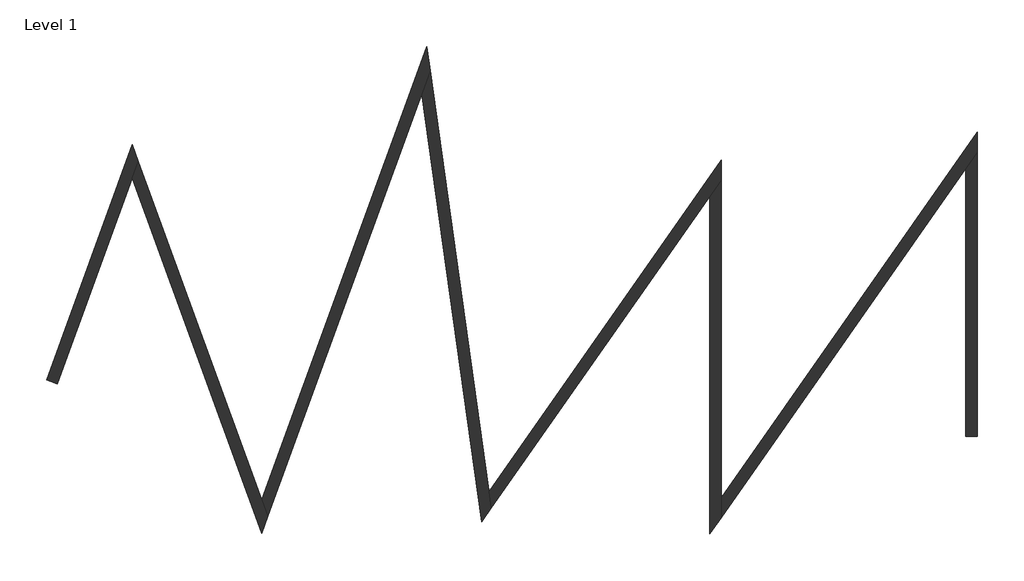
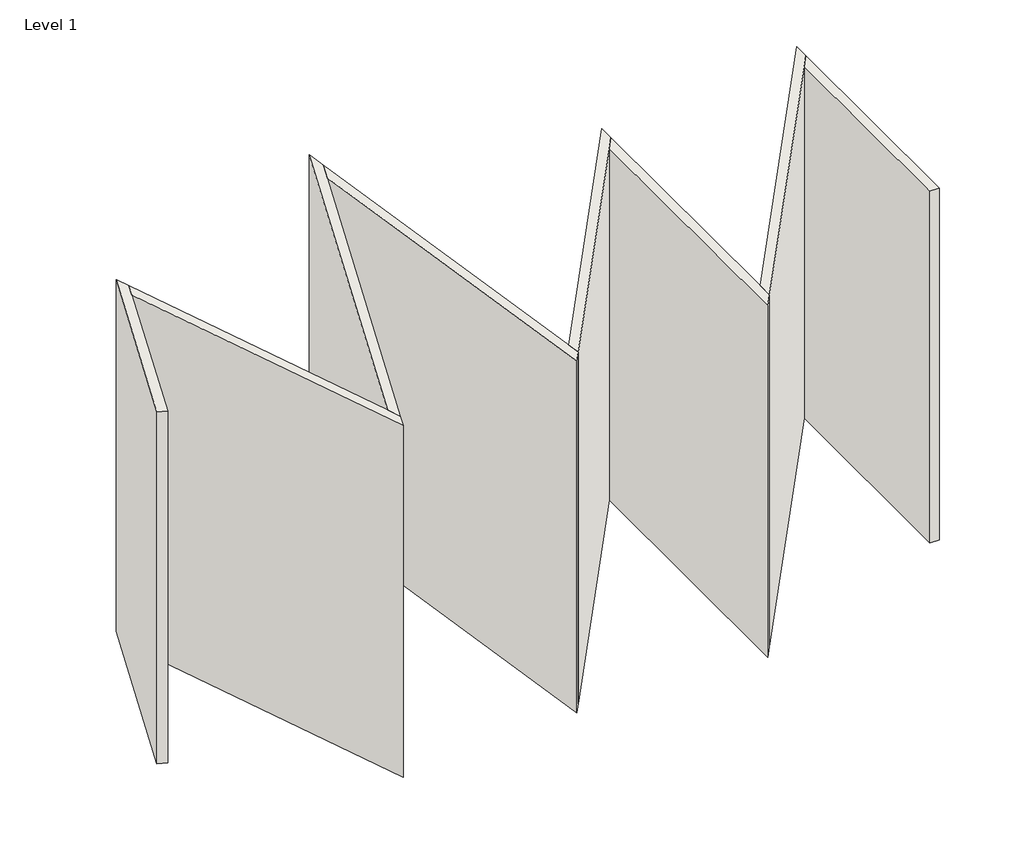
# One storey: 8 walls.
"""IFC4 building model written with IfcOpenShell, lengths in millimetres."""

from ifc_helpers import new_model, si_unit, origin, origin_with_axes, place, context, project, spatial, polyline, outline, extrude, faceted_brep, element, save

model = new_model("IFC4")

# Units and contexts
model_context = context("Model", 3, world=origin())
ifc_project = project(units=[si_unit("LENGTHUNIT", "METRE", prefix="MILLI")], contexts=[model_context])

# Site, building, storey
site = spatial("IfcSite", under=ifc_project)
building = spatial("IfcBuilding", under=site)
storey = spatial("IfcBuildingStorey", under=building, Name="Level 1", Elevation=0.0)

# Walls
placement = place(None, origin())
element("IfcWall", 1, ObjectType="Generic - 200mm", at=placement, inside=storey, context=model_context, shape_type="Brep", body=[
    faceted_brep([(-6994.1325206, -1292.6703627, 0.0), (-5685.819195, 2301.8909568, 0.0), (-5579.4014178, 2594.2713969, 0.0), (-5579.4014178, 2594.2713969, 8000.0), (-5685.819195, 2301.8909568, 8000.0), (-6994.1325206, -1292.6703627, 8000.0), (-7182.0710447, -1224.266334, 0.0), (-7182.0710447, -1224.266334, 8000.0), (-5685.819195, 2886.6518369, 8000.0), (-5685.819195, 2886.6518369, 0.0)], [[[0, 1, 2, 3, 4, 5]], [[6, 7, 8, 9]], [[2, 1, 0, 6, 9]], [[5, 4, 3, 8, 7]], [[0, 5, 7, 6]], [[3, 2, 9, 8]]]),
])
element("IfcWall", 2, ObjectType="Generic - 200mm", at=placement, inside=storey, context=model_context, shape_type="Brep", body=[
    faceted_brep([(-5685.819195, 2301.8909568, 0.0), (-3428.4862491, -3900.0803403, 0.0), (-3428.4862491, -3900.0803403, 8000.0), (-5685.819195, 2301.8909568, 8000.0), (-5579.4014178, 2594.2713969, 0.0), (-5579.4014178, 2594.2713969, 8000.0), (-3428.4862491, -3315.3194603, 8000.0), (-3322.0684718, -3607.6999003, 8000.0), (-3322.0684718, -3607.6999003, 0.0), (-3428.4862491, -3315.3194603, 0.0)], [[[0, 1, 2, 3]], [[4, 5, 6, 7, 8, 9]], [[1, 0, 4, 9, 8]], [[3, 2, 7, 6, 5]], [[0, 3, 5, 4]], [[2, 1, 8, 7]]]),
])
element("IfcWall", 3, ObjectType="Generic - 200mm", at=placement, inside=storey, context=model_context, shape_type="Brep", body=[
    faceted_brep([(-3322.0684718, -3607.6999003, 0.0), (-632.9265843, 3780.6567132, 0.0), (-487.2222774, 4180.9760063, 0.0), (-487.2222774, 4180.9760063, 8000.0), (-632.9265843, 3780.6567132, 8000.0), (-3322.0684718, -3607.6999003, 8000.0), (-3428.4862491, -3315.3194603, 0.0), (-3428.4862491, -3315.3194603, 8000.0), (-546.5115346, 4602.8409912, 8000.0), (-546.5115346, 4602.8409912, 0.0)], [[[0, 1, 2, 3, 4, 5]], [[6, 7, 8, 9]], [[2, 1, 0, 6, 9]], [[5, 4, 3, 8, 7]], [[0, 5, 7, 6]], [[3, 2, 9, 8]]]),
])
element("IfcWall", 4, ObjectType="Generic - 200mm", at=placement, inside=storey, context=model_context, shape_type="Brep", body=[
    faceted_brep([(-632.9265843, 3780.6567132, 0.0), (418.2181611, -3698.6267821, 0.0), (418.2181611, -3698.6267821, 8000.0), (-632.9265843, 3780.6567132, 8000.0), (-487.2222774, 4180.9760063, 0.0), (-487.2222774, 4180.9760063, 8000.0), (545.6094748, -3168.0037721, 8000.0), (586.4227991, -3458.4056636, 8000.0), (586.4227991, -3458.4056636, 0.0), (545.6094748, -3168.0037721, 0.0)], [[[0, 1, 2, 3]], [[4, 5, 6, 7, 8, 9]], [[1, 0, 4, 9, 8]], [[3, 2, 7, 6, 5]], [[0, 3, 5, 4]], [[2, 1, 8, 7]]]),
])
element("IfcWall", 5, ObjectType="Generic - 200mm", at=placement, inside=storey, context=model_context, shape_type="Brep", body=[
    faceted_brep([(586.4227991, -3458.4056636, 0.0), (4396.9488724, 1983.5895527, 0.0), (4596.9488724, 2269.219154, 0.0), (4596.9488724, 2269.219154, 8000.0), (4396.9488724, 1983.5895527, 8000.0), (586.4227991, -3458.4056636, 8000.0), (545.6094748, -3168.0037721, 0.0), (545.6094748, -3168.0037721, 8000.0), (4596.9488724, 2617.9085132, 8000.0), (4596.9488724, 2617.9085132, 0.0)], [[[0, 1, 2, 3, 4, 5]], [[6, 7, 8, 9]], [[2, 1, 0, 6, 9]], [[5, 4, 3, 8, 7]], [[0, 5, 7, 6]], [[3, 2, 9, 8]]]),
])
element("IfcWall", 6, ObjectType="Generic - 200mm", at=placement, inside=storey, context=model_context, shape_type="Brep", body=[
    faceted_brep([(4396.9488724, 1983.5895527, 0.0), (4396.9488724, -3916.4104473, 0.0), (4396.9488724, -3916.4104473, 8000.0), (4396.9488724, 1983.5895527, 8000.0), (4596.9488724, 2269.219154, 0.0), (4596.9488724, 2269.219154, 8000.0), (4596.9488724, -3282.0914868, 8000.0), (4596.9488724, -3630.780846, 8000.0), (4596.9488724, -3630.780846, 0.0), (4596.9488724, -3282.0914868, 0.0)], [[[0, 1, 2, 3]], [[4, 5, 6, 7, 8, 9]], [[1, 0, 4, 9, 8]], [[3, 2, 7, 6, 5]], [[0, 3, 5, 4]], [[2, 1, 8, 7]]]),
])
element("IfcWall", 7, ObjectType="Generic - 200mm", at=placement, inside=storey, context=model_context, shape_type="Brep", body=[
    faceted_brep([(4596.9488724, -3630.780846, 0.0), (8870.8450759, 2472.9754981, 0.0), (9070.8450759, 2758.6050995, 0.0), (9070.8450759, 2758.6050995, 8000.0), (8870.8450759, 2472.9754981, 8000.0), (4596.9488724, -3630.780846, 8000.0), (4596.9488724, -3282.0914868, 0.0), (4596.9488724, -3282.0914868, 8000.0), (9070.8450759, 3107.2944586, 8000.0), (9070.8450759, 3107.2944586, 0.0)], [[[0, 1, 2, 3, 4, 5]], [[6, 7, 8, 9]], [[2, 1, 0, 6, 9]], [[5, 4, 3, 8, 7]], [[0, 5, 7, 6]], [[3, 2, 9, 8]]]),
])
element("IfcWall", 8, ObjectType="Generic - 200mm", at=placement, inside=storey, context=model_context, shape_type="SweptSolid", body=[
    extrude(outline(polyline([(8870.8450759, -2209.8650216), (8870.8450759, 2472.9754981), (9070.8450759, 2758.6050995), (9070.8450759, -2209.8650216), (8870.8450759, -2209.8650216)])), origin_with_axes(), (0.0, 0.0, 1.0), 8000.0),
])

save(model, "model.ifc")
